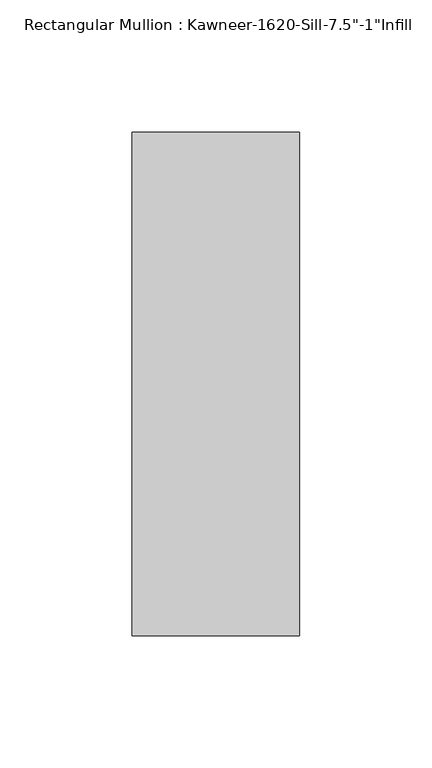
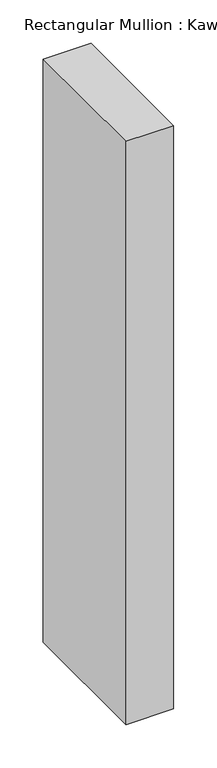
"""IFC4 building model written with IfcOpenShell, lengths in millimetres: member geometry."""

from ifc_helpers import new_model, si_unit, frame, origin, place, context, project, spatial, polyline, outline, extrude, source, transform, mapped, element, save


def member_61262663(model_context):
    return source(origin(), model_context, "Body", "SweptSolid", [
        extrude(outline(polyline([(-63.5, -38.1), (-63.5, 152.4), (0.0, 152.4), (0.0, -38.1), (-63.5, -38.1)])), frame((0.0, 0.0, -819.15), z_axis=(0.0, 0.0, 1.0), x_axis=(1.0, 0.0, 0.0)), (0.0, 0.0, 1.0), 819.15),
    ])


if __name__ == "__main__":
    model = new_model("IFC4")
    model_context = context("Model", 3, world=origin())
    ifc_project = project(units=[si_unit("LENGTHUNIT", "METRE", prefix="MILLI")], contexts=[model_context])
    site = spatial("IfcSite", under=ifc_project)
    building = spatial("IfcBuilding", under=site)
    placement = place(None, origin())
    member_shape = member_61262663(model_context)
    element("IfcMember", 1, ObjectType="Rectangular Mullion : Kawneer-1620-Sill-7.5\"-1\"Infill", at=placement, inside=building, context=model_context, shape_type="MappedRepresentation", body=[
        mapped(member_shape, transform((0.0, 0.0, 0.0), x_axis=(1.0, 0.0, 0.0), y_axis=(0.0, 1.0, 0.0), z_axis=(0.0, 0.0, 1.0))),
    ])
    save(model, "model.ifc")
